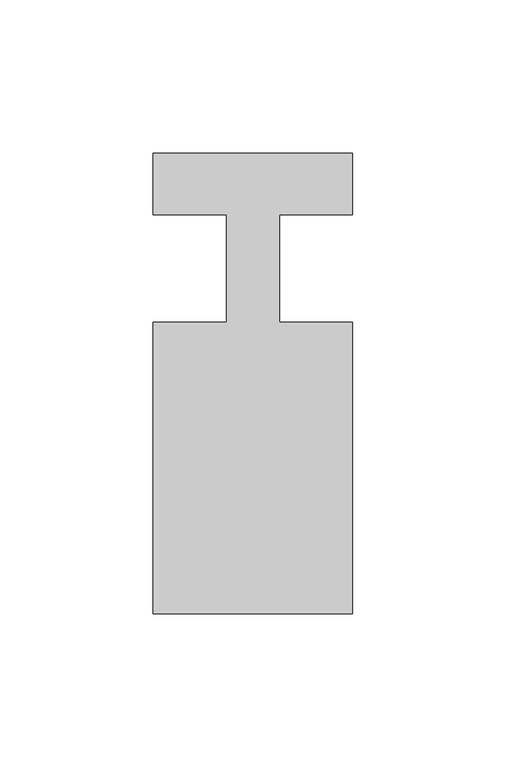
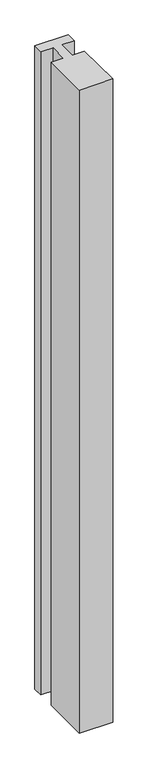
"""IFC4 building model written with IfcOpenShell, lengths in millimetres: member geometry."""

import ifcopenshell
import ifcopenshell.guid

model = None  # the IFC model being written
_history = None  # IfcOwnerHistory: only IFC2X3 demands one
_inside = {}  # id of a spatial element -> (the spatial element, [elements in it])
_under = {}  # id of a project, library or spatial element -> (it, [spatial elements below it])
_declared = {}  # id of a project -> (the project, [libraries it declares])
_typed = {}  # id of a type object -> (the type object, [elements of that type])
_made_of = {}  # id of a material, layer set ... -> (it, [elements and type objects made of it])


def new_model(schema):
    """Start an empty IFC model of exactly this schema.

    Asked for "IFC4X3", IfcOpenShell would pick the latest addendum, in which some entities
    have other attributes; the version numbers below select the first issue.
    IFC2X3 requires an IfcOwnerHistory on every rooted entity: one is made here for all.
    """
    global model, _history
    if schema == "IFC4X3":
        model = ifcopenshell.file(schema_version=(4, 3, 0, 0))
    else:
        model = ifcopenshell.file(schema=schema)
    _inside.clear()
    _under.clear()
    _declared.clear()
    _typed.clear()
    _made_of.clear()
    _history = None
    if model.schema == "IFC2X3":
        org = make("IfcOrganization", Name="unknown")
        user = make(
            "IfcPersonAndOrganization",
            ThePerson=make("IfcPerson", FamilyName="unknown"),
            TheOrganization=org,
        )
        app = make(
            "IfcApplication",
            ApplicationDeveloper=org,
            Version="unknown",
            ApplicationFullName="unknown",
            ApplicationIdentifier="unknown",
        )
        _history = make(
            "IfcOwnerHistory",
            OwningUser=user,
            OwningApplication=app,
            ChangeAction="ADDED",
            CreationDate=0,
        )
    return model


def make(cls, **values):
    """One entity of the class cls with the attributes given. An attribute that is None is left unset."""
    return model.create_entity(
        cls, **{name: value for name, value in values.items() if value is not None}
    )


def rooted(cls, **values):
    """An entity with a GlobalId (a new one), such as an element, a storey or a relation."""
    return make(cls, GlobalId=ifcopenshell.guid.new(), OwnerHistory=_history, **values)


def si_unit(unit_type, name, prefix=None):
    """IfcSIUnit, for example si_unit("LENGTHUNIT", "METRE", prefix="MILLI")."""
    return make("IfcSIUnit", UnitType=unit_type, Prefix=prefix, Name=name)


def assignment(units):
    """IfcUnitAssignment: the units of a project."""
    return None if units is None else make("IfcUnitAssignment", Units=units)


def point(xyz):
    """IfcCartesianPoint."""
    return None if xyz is None else make("IfcCartesianPoint", Coordinates=xyz)


def direction(xyz):
    """IfcDirection."""
    return None if xyz is None else make("IfcDirection", DirectionRatios=xyz)


def frame(location, z_axis=None, x_axis=None):
    """IfcAxis2Placement3D, a coordinate frame: its origin and axes. An axis left out is left unset."""
    return make(
        "IfcAxis2Placement3D",
        Location=point(location),
        Axis=direction(z_axis),
        RefDirection=direction(x_axis),
    )


def origin():
    """The frame at (0, 0, 0) with its axes left unset."""
    return frame((0.0, 0.0, 0.0))


def place(relative_to, where):
    """IfcLocalPlacement: puts the frame where relative to a parent placement (None: the world)."""
    return make(
        "IfcLocalPlacement", PlacementRelTo=relative_to, RelativePlacement=where
    )


def context(
    kind, dimensions, precision=None, world=None, true_north=None, identifier=None
):
    """IfcGeometricRepresentationContext, for example the 3D "Model" context."""
    return make(
        "IfcGeometricRepresentationContext",
        ContextIdentifier=identifier,
        ContextType=kind,
        CoordinateSpaceDimension=dimensions,
        Precision=precision,
        WorldCoordinateSystem=world,
        TrueNorth=true_north,
    )


def project(units=None, contexts=None):
    """IfcProject with its units and contexts."""
    return rooted(
        "IfcProject",
        Name="project",
        RepresentationContexts=contexts,
        UnitsInContext=assignment(units),
    )


def spatial(cls, under=None, at=None, **own):
    """A site, building, storey or space (cls), placed at a placement, below another one or the project."""
    s = rooted(cls, ObjectPlacement=at, **own)
    if under is not None:
        _under.setdefault(under.id(), (under, []))[1].append(s)
    return s


def polyline(points):
    """IfcPolyline through the points."""
    return make("IfcPolyline", Points=[point(p) for p in points])


def outline(outer, holes=None, kind="AREA"):
    """IfcArbitraryClosedProfileDef: a profile drawn as a closed curve; with holes, ...WithVoids."""
    if holes is None:
        return make("IfcArbitraryClosedProfileDef", ProfileType=kind, OuterCurve=outer)
    return make(
        "IfcArbitraryProfileDefWithVoids",
        ProfileType=kind,
        OuterCurve=outer,
        InnerCurves=holes,
    )


def extrude(swept, where, along, depth):
    """IfcExtrudedAreaSolid: the profile swept, set in the frame where, extruded along a direction by depth."""
    return make(
        "IfcExtrudedAreaSolid",
        SweptArea=swept,
        Position=where,
        ExtrudedDirection=direction(along),
        Depth=depth,
    )


def shape(context_of_items, identifier, shape_type, items):
    """IfcShapeRepresentation: the items that make up one representation, for example the "Body"."""
    return make(
        "IfcShapeRepresentation",
        ContextOfItems=context_of_items,
        RepresentationIdentifier=identifier,
        RepresentationType=shape_type,
        Items=items,
    )


def source(mapping_origin, context_of_items, identifier, shape_type, items):
    """IfcRepresentationMap: a shape defined once, which mapped items show again and again."""
    return make(
        "IfcRepresentationMap",
        MappingOrigin=mapping_origin,
        MappedRepresentation=shape(context_of_items, identifier, shape_type, items),
    )


def transform(
    local_origin,
    x_axis=None,
    y_axis=None,
    z_axis=None,
    scale=None,
    scale2=None,
    scale3=None,
    uniform=True,
):
    """IfcCartesianTransformationOperator3D, or its non-uniform kind. x_axis, y_axis, z_axis: its Axis1, 2, 3."""
    if uniform:
        return make(
            "IfcCartesianTransformationOperator3D",
            Axis1=direction(x_axis),
            Axis2=direction(y_axis),
            LocalOrigin=point(local_origin),
            Scale=scale,
            Axis3=direction(z_axis),
        )
    return make(
        "IfcCartesianTransformationOperator3DnonUniform",
        Axis1=direction(x_axis),
        Axis2=direction(y_axis),
        LocalOrigin=point(local_origin),
        Scale=scale,
        Axis3=direction(z_axis),
        Scale2=scale2,
        Scale3=scale3,
    )


def mapped(mapping_source, mapping_target):
    """IfcMappedItem: shows the shape of a source again, moved by a transform."""
    return make(
        "IfcMappedItem", MappingSource=mapping_source, MappingTarget=mapping_target
    )


def made_of(thing, what):
    """Note that an element or type object is made of a material, layer set ...; save() writes the relation."""
    if what is not None:
        _made_of.setdefault(what.id(), (what, []))[1].append(thing)
    return thing


def element(
    cls,
    number,
    at=None,
    inside=None,
    cuts=None,
    type_object=None,
    material=None,
    context=None,
    identifier="Body",
    shape_type=None,
    held_by="IfcProductDefinitionShape",
    body=None,
    shapes=None,
    **own,
):
    """One element of the class cls, such as IfcWall. Its Tag is "e" and its number.

    at: its placement. inside: the storey or other place that contains it. cuts: it is an
    opening in that element (IfcRelVoidsElement). A single representation is given by context,
    identifier, shape_type and body (its items); several are given by shapes. held_by: the class
    of the entity that holds the representations. save() writes the other relations.
    """
    e = rooted(cls, Tag="e%d" % number, ObjectPlacement=at, **own)
    if body is not None:
        shapes = [shape(context, identifier, shape_type, body)]
    if shapes is not None:
        e.Representation = make(held_by, Representations=shapes)
    if inside is not None:
        _inside.setdefault(inside.id(), (inside, []))[1].append(e)
    if cuts is not None:
        rooted(
            "IfcRelVoidsElement", RelatingBuildingElement=cuts, RelatedOpeningElement=e
        )
    if type_object is not None:
        _typed.setdefault(type_object.id(), (type_object, []))[1].append(e)
    return made_of(e, material)


def aggregate(whole, parts):
    """IfcRelAggregates: a whole, such as a stair, and the parts it consists of."""
    return rooted("IfcRelAggregates", RelatingObject=whole, RelatedObjects=parts)


def save(model, path):
    """Write the relations noted so far, then the file.

    IfcRelAggregates (storeys below a building ...), IfcRelContainedInSpatialStructure (elements
    in a storey), IfcRelDefinesByType, IfcRelAssociatesMaterial and IfcRelDeclares: one each for
    every whole, place, type object, material and project.
    """
    for whole, parts in _under.values():
        aggregate(whole, parts)
    for where, things in _inside.values():
        rooted(
            "IfcRelContainedInSpatialStructure",
            RelatedElements=things,
            RelatingStructure=where,
        )
    for kind, things in _typed.values():
        rooted("IfcRelDefinesByType", RelatedObjects=things, RelatingType=kind)
    for what, things in _made_of.values():
        rooted("IfcRelAssociatesMaterial", RelatedObjects=things, RelatingMaterial=what)
    for by, libraries in _declared.values():
        rooted("IfcRelDeclares", RelatingContext=by, RelatedDefinitions=libraries)
    model.write(path)


def member_f480e865(model_context):
    return source(origin(), model_context, "Body", "SweptSolid", [
        extrude(outline(polyline([(0.0, 37.0), (0.0, 17.0), (-23.8125, 17.0), (-23.8125, -18.0), (0.0, -18.0), (0.0, -113.0), (-65.0, -113.0), (-65.0, -18.0), (-41.1875, -18.0), (-41.1875, 17.0), (-65.0, 17.0), (-65.0, 37.0), (0.0, 37.0)])), frame((0.0, 0.0, -1326.7391304), z_axis=(0.0, 0.0, 1.0), x_axis=(1.0, 0.0, 0.0)), (0.0, 0.0, 1.0), 1326.7391304),
    ])


if __name__ == "__main__":
    model = new_model("IFC4")
    model_context = context("Model", 3, world=origin())
    ifc_project = project(units=[si_unit("LENGTHUNIT", "METRE", prefix="MILLI")], contexts=[model_context])
    site = spatial("IfcSite", under=ifc_project)
    building = spatial("IfcBuilding", under=site)
    placement = place(None, origin())
    member_shape = member_f480e865(model_context)
    element("IfcMember", 1, at=placement, inside=building, context=model_context, shape_type="MappedRepresentation", body=[
        mapped(member_shape, transform((0.0, 0.0, 0.0), x_axis=(1.0, 0.0, 0.0), y_axis=(0.0, 1.0, 0.0), z_axis=(0.0, 0.0, 1.0))),
    ])
    save(model, "model.ifc")
